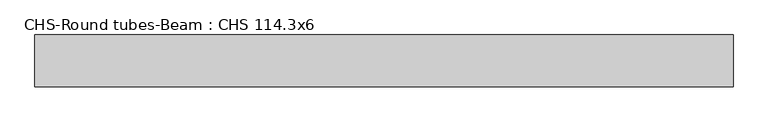
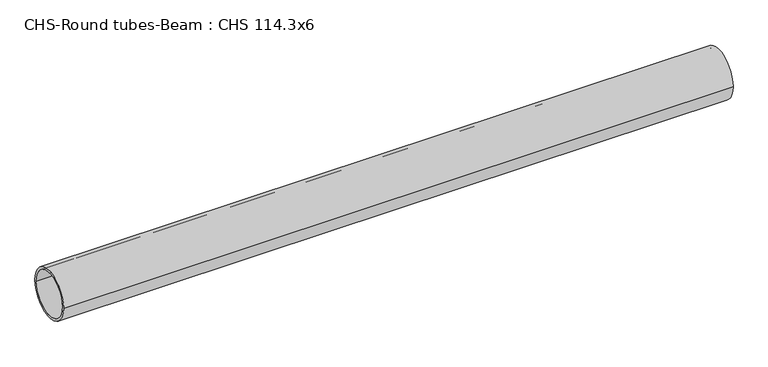
"""IFC4 building model written with IfcOpenShell, lengths in millimetres: beam geometry, CHS-Round tubes-Beam : CHS 114.3x6."""

from ifc_helpers import new_model, si_unit, point, frame, origin, origin_2d, place, context, project, spatial, circle_curve, trimmed, segment, composite_curve, outline, extrude, source, transform, mapped, element, save


def chs_round_tubes_beam_chs_114_3x6_264754ea(model_context):
    return source(origin(), model_context, "Body", "SweptSolid", [
        extrude(outline(composite_curve([segment(trimmed(circle_curve(origin_2d(), 57.15), [point((57.15, 0.0))], [point((-57.15, 0.0))], False, "CARTESIAN"), True, "CONTINUOUS"), segment(trimmed(circle_curve(origin_2d(), 57.15), [point((-57.15, 0.0))], [point((57.15, 0.0))], False, "CARTESIAN"), True, "CONTINUOUS")], self_intersect=False), holes=[composite_curve([segment(trimmed(circle_curve(origin_2d(), 51.15), [point((51.15, 0.0))], [point((-51.15, 0.0))], True, "CARTESIAN"), True, "CONTINUOUS"), segment(trimmed(circle_curve(origin_2d(), 51.15), [point((-51.15, 0.0))], [point((51.15, 0.0))], True, "CARTESIAN"), True, "CONTINUOUS")], self_intersect=False)]), frame((-759.5280368, 0.0, 0.0), z_axis=(1.0, 0.0, 0.0), x_axis=(0.0, 1.0, 0.0)), (0.0, 0.0, 1.0), 1537.6031113),
    ])


if __name__ == "__main__":
    model = new_model("IFC4")
    model_context = context("Model", 3, world=origin())
    ifc_project = project(units=[si_unit("LENGTHUNIT", "METRE", prefix="MILLI")], contexts=[model_context])
    site = spatial("IfcSite", under=ifc_project)
    building = spatial("IfcBuilding", under=site)
    placement = place(None, origin())
    chs_round_tubes_beam_chs_114_3x6_shape = chs_round_tubes_beam_chs_114_3x6_264754ea(model_context)
    element("IfcBeam", 1, ObjectType="CHS-Round tubes-Beam : CHS 114.3x6", at=placement, inside=building, context=model_context, shape_type="MappedRepresentation", body=[
        mapped(chs_round_tubes_beam_chs_114_3x6_shape, transform((0.0, 0.0, 0.0), x_axis=(1.0, 0.0, 0.0), y_axis=(0.0, 1.0, 0.0), z_axis=(0.0, 0.0, 1.0))),
    ])
    save(model, "model.ifc")
